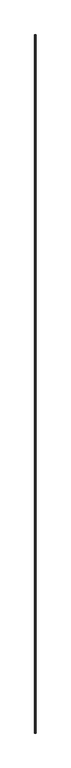
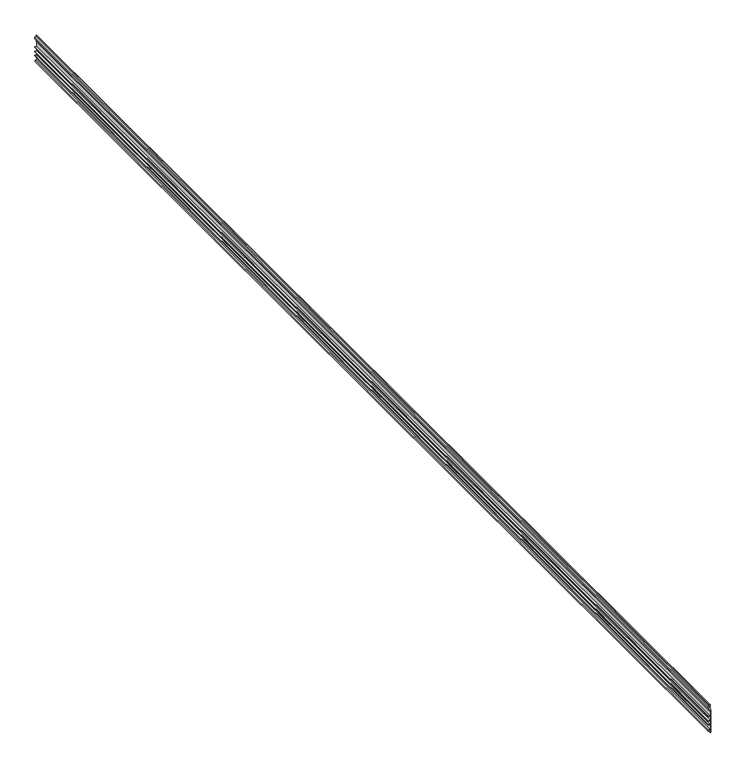
"""IFC4 building model written with IfcOpenShell, lengths in millimetres: proxy geometry."""

from ifc_helpers import new_model, si_unit, frame, origin, place, context, project, spatial, polyline, outline, extrude, source, transform, mapped, element, save


def generic_models_c1e54156(model_context):
    return source(origin(), model_context, "Body", "SweptSolid", [
        extrude(outline(polyline([(3575.0569019, 38255.1648517), (3575.0569019, 38258.3398517), (3708.4069019, 38258.3398517), (3708.4069019, 38255.1648517), (3721.1069019, 38255.1648517), (3723.6359786, 38249.7412292), (3728.1028252, 38249.7412292), (3730.6319019, 38255.1648517), (3740.1569019, 38255.1648517), (3740.1569019, 38251.9898517), (3732.6545999, 38251.9898517), (3729.8385724, 38245.9508611), (3721.9002314, 38245.9508611), (3719.0842038, 38251.9898517), (3705.2319019, 38251.9898517), (3705.2319019, 38255.1648517), (3674.2756519, 38255.1648517), (3674.2756519, 38245.6398517), (3671.1006519, 38245.6398517), (3671.1006519, 38255.1648517), (3648.8756519, 38255.1648517), (3648.8756519, 38245.6398517), (3645.7006519, 38245.6398517), (3645.7006519, 38255.1648517), (3623.4756519, 38255.1648517), (3623.4756519, 38245.6398517), (3620.3006519, 38245.6398517), (3620.3006519, 38255.1648517), (3594.9006519, 38255.1648517), (3594.9006519, 38246.3544132), (3585.3756519, 38246.3544132), (3585.3756519, 38250.2518612), (3591.7256519, 38250.2518612), (3591.7256519, 38255.1648517), (3575.0569019, 38255.1648517)])), frame((0.0, -25196.3529893, 0.0), z_axis=(0.0, 1.0, 0.0), x_axis=(0.0, 0.0, 1.0)), (0.0, 0.0, 1.0), 6533.92),
    ])


if __name__ == "__main__":
    model = new_model("IFC4")
    model_context = context("Model", 3, world=origin())
    ifc_project = project(units=[si_unit("LENGTHUNIT", "METRE", prefix="MILLI")], contexts=[model_context])
    site = spatial("IfcSite", under=ifc_project)
    building = spatial("IfcBuilding", under=site)
    placement = place(None, origin())
    generic_models_shape = generic_models_c1e54156(model_context)
    element("IfcBuildingElementProxy", 1, Name="Generic Models", at=placement, inside=building, context=model_context, shape_type="MappedRepresentation", body=[
        mapped(generic_models_shape, transform((0.0, 0.0, 0.0), x_axis=(1.0, 0.0, 0.0), y_axis=(0.0, 1.0, 0.0), z_axis=(0.0, 0.0, 1.0))),
    ])
    save(model, "model.ifc")
